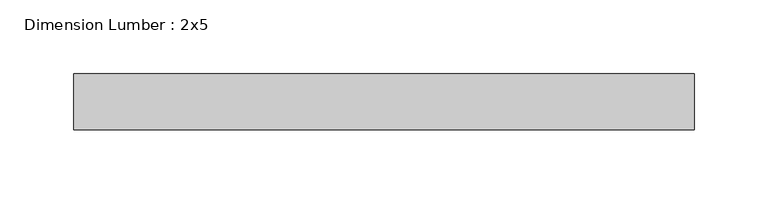
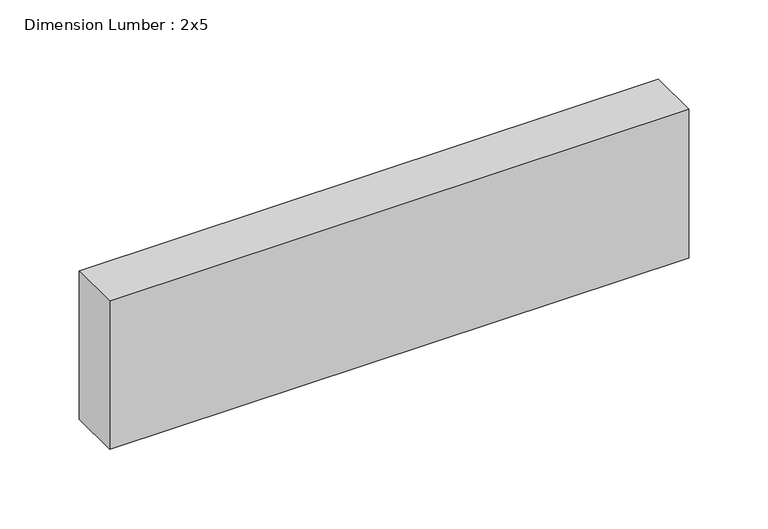
"""IFC4 building model written with IfcOpenShell, lengths in millimetres: beam geometry, Dimension Lumber : 2x5."""

from ifc_helpers import new_model, si_unit, frame, origin, place, context, project, spatial, polyline, outline, extrude, source, transform, mapped, element, save


def dimension_lumber_2x5_dd587631(model_context):
    return source(origin(), model_context, "Body", "SweptSolid", [
        extrude(outline(polyline([(210.5041502, 19.05), (210.5041502, -19.05), (-210.5041502, -19.05), (-210.5041502, 19.05), (210.5041502, 19.05)])), frame((0.0, 0.0, -57.15), z_axis=(0.0, 0.0, 1.0), x_axis=(1.0, 0.0, 0.0)), (0.0, 0.0, 1.0), 114.3),
    ])


if __name__ == "__main__":
    model = new_model("IFC4")
    model_context = context("Model", 3, world=origin())
    ifc_project = project(units=[si_unit("LENGTHUNIT", "METRE", prefix="MILLI")], contexts=[model_context])
    site = spatial("IfcSite", under=ifc_project)
    building = spatial("IfcBuilding", under=site)
    placement = place(None, origin())
    dimension_lumber_2x5_shape = dimension_lumber_2x5_dd587631(model_context)
    element("IfcBeam", 1, ObjectType="Dimension Lumber : 2x5", at=placement, inside=building, context=model_context, shape_type="MappedRepresentation", body=[
        mapped(dimension_lumber_2x5_shape, transform((0.0, 0.0, 0.0), x_axis=(1.0, 0.0, 0.0), y_axis=(0.0, 1.0, 0.0), z_axis=(0.0, 0.0, 1.0))),
    ])
    save(model, "model.ifc")
